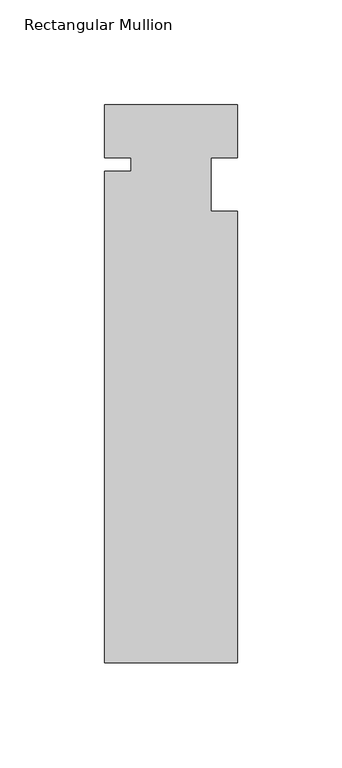
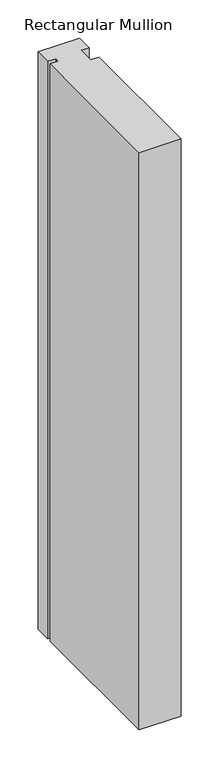
"""IFC4 building model written with IfcOpenShell, lengths in millimetres: member geometry, Rectangular Mullion."""

from ifc_helpers import new_model, si_unit, frame, origin, place, context, project, spatial, polyline, outline, extrude, source, transform, mapped, element, save


def rectangular_mullion_f9c9c542(model_context):
    return source(origin(), model_context, "Body", "SweptSolid", [
        extrude(outline(polyline([(31.75, -228.6), (-31.75, -228.6), (-31.75, 6.35), (-19.05, 6.35), (-19.05, 12.7), (-31.75, 12.7), (-31.75, 38.1), (31.75, 38.1), (31.75, 12.7), (19.05, 12.7), (19.05, -12.7), (31.75, -12.7), (31.75, -228.6)])), frame((0.0, 0.0, -927.1), z_axis=(0.0, 0.0, 1.0), x_axis=(1.0, 0.0, 0.0)), (0.0, 0.0, 1.0), 927.1),
    ])


if __name__ == "__main__":
    model = new_model("IFC4")
    model_context = context("Model", 3, world=origin())
    ifc_project = project(units=[si_unit("LENGTHUNIT", "METRE", prefix="MILLI")], contexts=[model_context])
    site = spatial("IfcSite", under=ifc_project)
    building = spatial("IfcBuilding", under=site)
    placement = place(None, origin())
    rectangular_mullion_shape = rectangular_mullion_f9c9c542(model_context)
    element("IfcMember", 1, ObjectType="Rectangular Mullion", at=placement, inside=building, context=model_context, shape_type="MappedRepresentation", body=[
        mapped(rectangular_mullion_shape, transform((0.0, 0.0, 0.0), x_axis=(1.0, 0.0, 0.0), y_axis=(0.0, 1.0, 0.0), z_axis=(0.0, 0.0, 1.0))),
    ])
    save(model, "model.ifc")
